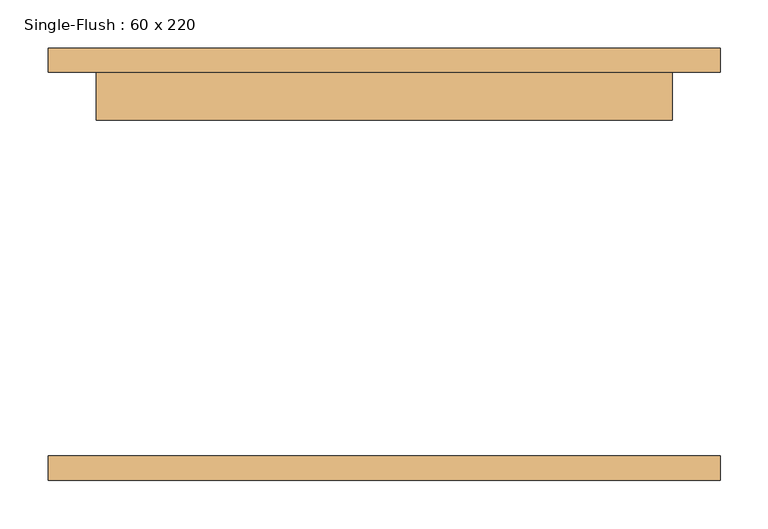
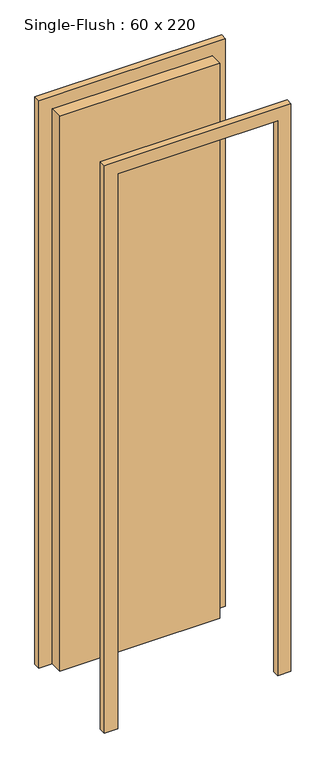
"""IFC4 building model written with IfcOpenShell, lengths in millimetres: door geometry, Single-Flush : 60 x 220."""

from ifc_helpers import new_model, si_unit, frame, origin, origin_with_axes, place, context, project, spatial, polyline, outline, extrude, source, transform, mapped, element, save


def single_flush_60_x_220_1b958c1b(model_context):
    return source(origin(), model_context, "Body", "SweptSolid", [
        extrude(outline(polyline([(2250.0, -350.0), (0.0, -350.0), (0.0, -300.0), (2200.0, -300.0), (2200.0, 300.0), (0.0, 300.0), (0.0, 350.0), (2250.0, 350.0), (2250.0, -350.0)])), frame((0.0, 200.0, 0.0), z_axis=(0.0, 1.0, 0.0), x_axis=(0.0, 0.0, 1.0)), (0.0, 0.0, 1.0), 25.4),
        extrude(outline(polyline([(2250.0, 350.0), (2250.0, -350.0), (0.0, -350.0), (0.0, -300.0), (2200.0, -300.0), (2200.0, 300.0), (0.0, 300.0), (0.0, 350.0), (2250.0, 350.0)])), frame((0.0, -225.4, 0.0), z_axis=(0.0, 1.0, 0.0), x_axis=(0.0, 0.0, 1.0)), (0.0, 0.0, 1.0), 25.4),
        extrude(outline(polyline([(300.0, 150.0), (-300.0, 150.0), (-300.0, 200.0), (300.0, 200.0), (300.0, 150.0)])), origin_with_axes(), (0.0, 0.0, 1.0), 2200.0),
    ])


if __name__ == "__main__":
    model = new_model("IFC4")
    model_context = context("Model", 3, world=origin())
    ifc_project = project(units=[si_unit("LENGTHUNIT", "METRE", prefix="MILLI")], contexts=[model_context])
    site = spatial("IfcSite", under=ifc_project)
    building = spatial("IfcBuilding", under=site)
    placement = place(None, origin())
    single_flush_60_x_220_shape = single_flush_60_x_220_1b958c1b(model_context)
    element("IfcDoor", 1, ObjectType="Single-Flush : 60 x 220", at=placement, inside=building, context=model_context, shape_type="MappedRepresentation", body=[
        mapped(single_flush_60_x_220_shape, transform((0.0, 0.0, 0.0), x_axis=(1.0, 0.0, 0.0), y_axis=(0.0, 1.0, 0.0), z_axis=(0.0, 0.0, 1.0))),
    ])
    save(model, "model.ifc")
